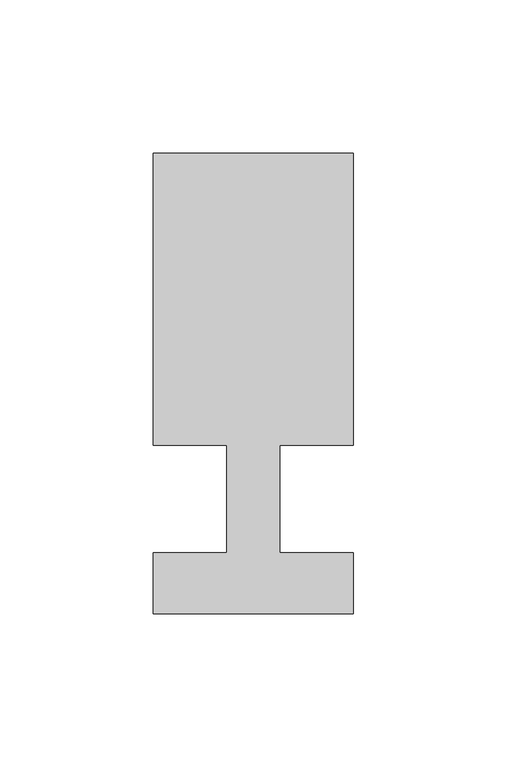
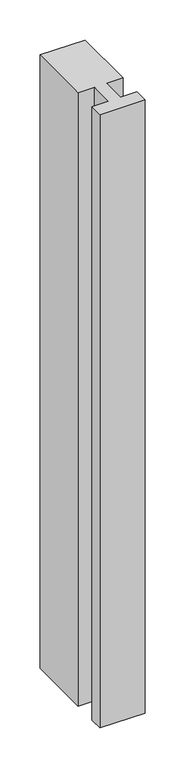
"""IFC4 building model written with IfcOpenShell, lengths in millimetres: member geometry."""

from ifc_helpers import new_model, si_unit, frame, origin, place, context, project, spatial, polyline, outline, extrude, source, transform, mapped, element, save


def member_05326dbb(model_context):
    return source(origin(), model_context, "Body", "SweptSolid", [
        extrude(outline(polyline([(0.0, -37.0), (-65.0, -37.0), (-65.0, -17.0), (-41.1875, -17.0), (-41.1875, 18.0), (-65.0, 18.0), (-65.0, 113.0), (0.0, 113.0), (0.0, 18.0), (-23.8125, 18.0), (-23.8125, -17.0), (0.0, -17.0), (0.0, -37.0)])), frame((0.0, 0.0, -935.0), z_axis=(0.0, 0.0, 1.0), x_axis=(1.0, 0.0, 0.0)), (0.0, 0.0, 1.0), 935.0),
    ])


if __name__ == "__main__":
    model = new_model("IFC4")
    model_context = context("Model", 3, world=origin())
    ifc_project = project(units=[si_unit("LENGTHUNIT", "METRE", prefix="MILLI")], contexts=[model_context])
    site = spatial("IfcSite", under=ifc_project)
    building = spatial("IfcBuilding", under=site)
    placement = place(None, origin())
    member_shape = member_05326dbb(model_context)
    element("IfcMember", 1, at=placement, inside=building, context=model_context, shape_type="MappedRepresentation", body=[
        mapped(member_shape, transform((0.0, 0.0, 0.0), x_axis=(1.0, 0.0, 0.0), y_axis=(0.0, 1.0, 0.0), z_axis=(0.0, 0.0, 1.0))),
    ])
    save(model, "model.ifc")
